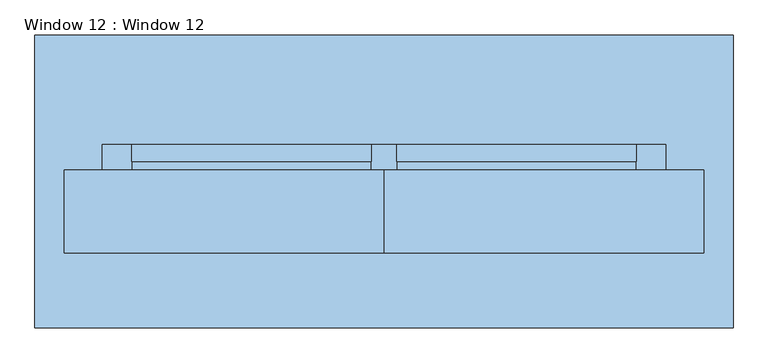
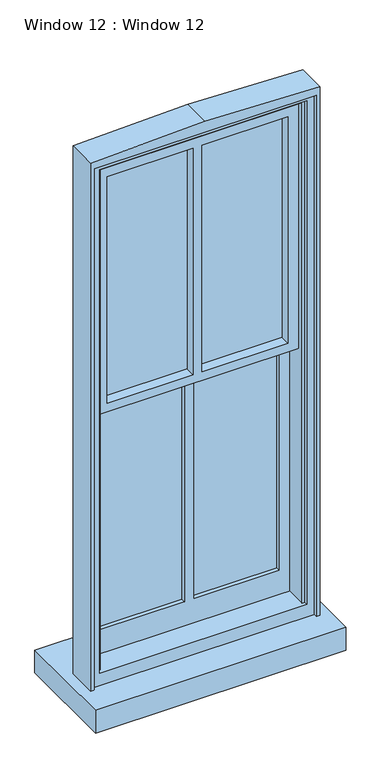
"""IFC4 building model written with IfcOpenShell, lengths in millimetres: window geometry, Window 12 : Window 12."""

from ifc_helpers import new_model, si_unit, frame, origin, place, context, project, spatial, polyline, outline, extrude, source, transform, mapped, element, save


def window_12_window_12_29b1b0cc(model_context):
    return source(origin(), model_context, "Body", "SweptSolid", [
        extrude(outline(polyline([(530.987, -242.8287138), (-530.987, -242.8287138), (-530.987, 203.2), (530.987, 203.2), (530.987, -242.8287138)])), frame((0.0, 0.0, 914.4), z_axis=(0.0, 0.0, 1.0), x_axis=(1.0, 0.0, 0.0)), (0.0, 0.0, 1.0), 101.6),
        extrude(outline(polyline([(3327.3592104, 439.8666197), (3327.3592104, -439.8666197), (1072.7482803, -439.8666197), (1072.7482803, -428.476567), (3314.6592104, -428.476567), (3314.6592104, 428.476567), (1072.7482803, 428.476567), (1072.7482803, 439.8666197), (3327.3592104, 439.8666197)])), frame((0.0, -98.2129229, 0.0), z_axis=(0.0, 1.0, 0.0), x_axis=(0.0, 0.0, 1.0)), (0.0, 0.0, 1.0), 95.4189229),
        extrude(outline(polyline([(3352.4004649, 471.1453227), (3352.4004649, -471.1453227), (1016.0, -471.1453227), (1016.0, 471.1453227), (3352.4004649, 471.1453227)]), holes=[polyline([(1072.7482803, -439.8666197), (3327.3592104, -439.8666197), (3327.3592104, 439.8666197), (1072.7482803, 439.8666197), (1072.7482803, -439.8666197)])]), frame((0.0, -113.5200675, 0.0), z_axis=(0.0, 1.0, 0.0), x_axis=(0.0, 0.0, 1.0)), (0.0, 0.0, 1.0), 110.7260675),
        extrude(outline(polyline([(3382.9502812, 486.537), (3399.3448291, 0.0), (3382.9502812, -486.537), (1016.0, -486.537), (1016.0, -471.1453227), (3352.4004649, -471.1453227), (3352.4004649, 471.1453227), (1016.0, 471.1453227), (1016.0, 486.537), (3382.9502812, 486.537)])), frame((0.0, -128.8272122, 0.0), z_axis=(0.0, 1.0, 0.0), x_axis=(0.0, 0.0, 1.0)), (0.0, 0.0, 1.0), 126.0332122),
        extrude(outline(polyline([(-19.05, -28.194), (-383.3240405, -28.194), (-383.3240405, -2.794), (-19.05, -2.794), (-19.05, -28.194)])), frame((0.0, 0.0, 2236.4813993), z_axis=(0.0, 0.0, 1.0), x_axis=(1.0, 0.0, 0.0)), (0.0, 0.0, 1.0), 1014.6778111),
        extrude(outline(polyline([(383.3240405, -28.194), (19.05, -28.194), (19.05, -2.794), (383.3240405, -2.794), (383.3240405, -28.194)])), frame((0.0, 0.0, 2236.4813993), z_axis=(0.0, 0.0, 1.0), x_axis=(1.0, 0.0, 0.0)), (0.0, 0.0, 1.0), 1014.6778111),
        extrude(outline(polyline([(3314.6592104, 428.476567), (3314.6592104, -428.476567), (2198.3813993, -428.476567), (2198.3813993, 428.476567), (3314.6592104, 428.476567)]), holes=[polyline([(3251.1592104, -19.05), (2236.4813993, -19.05), (2236.4813993, -383.3240405), (3251.1592104, -383.3240405), (3251.1592104, -19.05)]), polyline([(3251.1592104, 383.3240405), (2236.4813993, 383.3240405), (2236.4813993, 19.05), (3251.1592104, 19.05), (3251.1592104, 383.3240405)])]), frame((0.0, -73.0059065, 0.0), z_axis=(0.0, 1.0, 0.0), x_axis=(0.0, 0.0, 1.0)), (0.0, 0.0, 1.0), 70.2119065),
        extrude(outline(polyline([(-19.05, 10.668), (-384.026567, 10.668), (-384.026567, 36.0511754), (-19.05, 36.0511754), (-19.05, 10.668)])), frame((0.0, 0.0, 1180.6982803), z_axis=(0.0, 0.0, 1.0), x_axis=(1.0, 0.0, 0.0)), (0.0, 0.0, 1.0), 1017.683119),
        extrude(outline(polyline([(384.026567, 10.668), (19.05, 10.668), (19.05, 36.0511754), (384.026567, 36.0511754), (384.026567, 10.668)])), frame((0.0, 0.0, 1180.6982803), z_axis=(0.0, 0.0, 1.0), x_axis=(1.0, 0.0, 0.0)), (0.0, 0.0, 1.0), 1017.683119),
        extrude(outline(polyline([(2198.3813993, -384.026567), (2198.3813993, -428.476567), (1072.7482803, -428.476567), (1072.7482803, 428.476567), (2198.3813993, 428.476567), (2198.3813993, 384.026567), (1180.6982803, 384.026567), (1180.6982803, 19.05), (2198.3813993, 19.05), (2198.3813993, -19.05), (1180.6982803, -19.05), (1180.6982803, -384.026567), (2198.3813993, -384.026567)])), frame((0.0, -8.3988246, 0.0), z_axis=(0.0, 1.0, 0.0), x_axis=(0.0, 0.0, 1.0)), (0.0, 0.0, 1.0), 44.45),
    ])


if __name__ == "__main__":
    model = new_model("IFC4")
    model_context = context("Model", 3, world=origin())
    ifc_project = project(units=[si_unit("LENGTHUNIT", "METRE", prefix="MILLI")], contexts=[model_context])
    site = spatial("IfcSite", under=ifc_project)
    building = spatial("IfcBuilding", under=site)
    placement = place(None, origin())
    window_12_window_12_shape = window_12_window_12_29b1b0cc(model_context)
    element("IfcWindow", 1, ObjectType="Window 12 : Window 12", at=placement, inside=building, context=model_context, shape_type="MappedRepresentation", body=[
        mapped(window_12_window_12_shape, transform((0.0, 0.0, 0.0), x_axis=(1.0, 0.0, 0.0), y_axis=(0.0, 1.0, 0.0), z_axis=(0.0, 0.0, 1.0))),
    ])
    save(model, "model.ifc")
